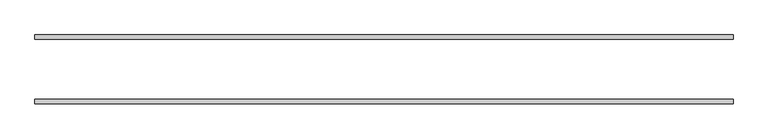
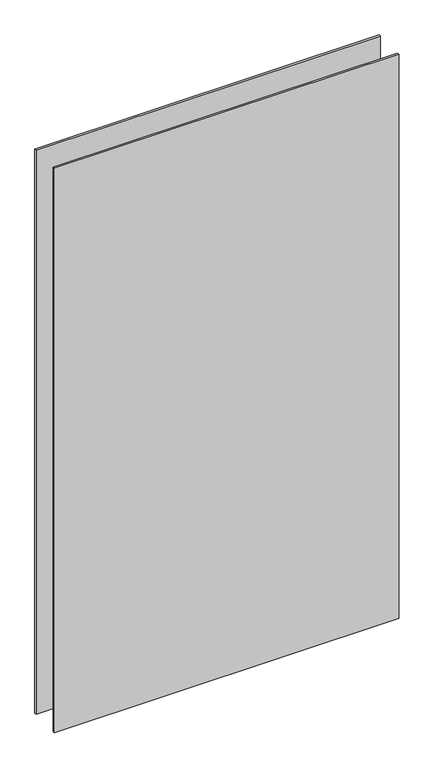
"""IFC4 building model written with IfcOpenShell, lengths in millimetres: plate geometry."""

from ifc_helpers import new_model, si_unit, origin, origin_with_axes, place, context, project, spatial, polyline, outline, extrude, source, transform, mapped, element, save


def plate_88dda021(model_context):
    return source(origin(), model_context, "Body", "SweptSolid", [
        extrude(outline(polyline([(-625.0, -61.5), (-625.0, -53.5), (625.0, -53.5), (625.0, -61.5), (-625.0, -61.5)])), origin_with_axes(), (0.0, 0.0, 1.0), 2165.0),
        extrude(outline(polyline([(625.0, 53.5), (-625.0, 53.5), (-625.0, 61.5), (625.0, 61.5), (625.0, 53.5)])), origin_with_axes(), (0.0, 0.0, 1.0), 2165.0),
    ])


if __name__ == "__main__":
    model = new_model("IFC4")
    model_context = context("Model", 3, world=origin())
    ifc_project = project(units=[si_unit("LENGTHUNIT", "METRE", prefix="MILLI")], contexts=[model_context])
    site = spatial("IfcSite", under=ifc_project)
    building = spatial("IfcBuilding", under=site)
    placement = place(None, origin())
    plate_shape = plate_88dda021(model_context)
    element("IfcPlate", 1, at=placement, inside=building, context=model_context, shape_type="MappedRepresentation", body=[
        mapped(plate_shape, transform((0.0, 0.0, 0.0), x_axis=(1.0, 0.0, 0.0), y_axis=(0.0, 1.0, 0.0), z_axis=(0.0, 0.0, 1.0))),
    ])
    save(model, "model.ifc")
